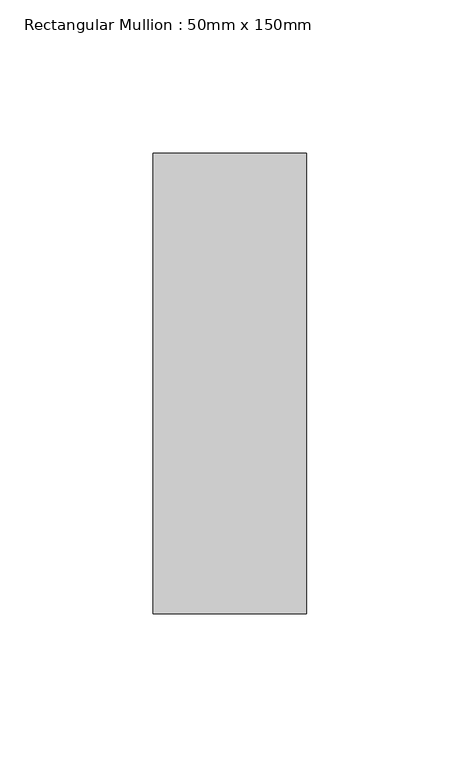
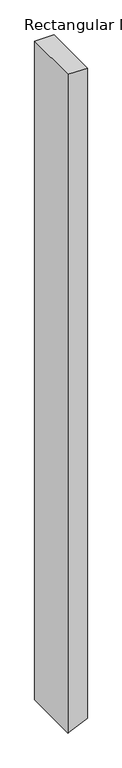
"""IFC4 building model written with IfcOpenShell, lengths in millimetres: member geometry, Rectangular Mullion : 50mm x 150mm."""

from ifc_helpers import new_model, si_unit, frame, origin, place, context, project, spatial, polyline, outline, extrude, source, transform, mapped, element, save


def rectangular_mullion_50mm_x_150mm_6f82ba0f(model_context):
    return source(origin(), model_context, "Body", "SweptSolid", [
        extrude(outline(polyline([(0.0, 25.0), (0.0, -25.0), (-1807.7541729, -25.0), (-1805.9176763, -21.0411824), (-1784.5591588, 25.0), (0.0, 25.0)])), frame((0.0, -75.0, 0.0), z_axis=(0.0, 1.0, 0.0), x_axis=(0.0, 0.0, 1.0)), (0.0, 0.0, 1.0), 150.0),
    ])


if __name__ == "__main__":
    model = new_model("IFC4")
    model_context = context("Model", 3, world=origin())
    ifc_project = project(units=[si_unit("LENGTHUNIT", "METRE", prefix="MILLI")], contexts=[model_context])
    site = spatial("IfcSite", under=ifc_project)
    building = spatial("IfcBuilding", under=site)
    placement = place(None, origin())
    rectangular_mullion_50mm_x_150mm_shape = rectangular_mullion_50mm_x_150mm_6f82ba0f(model_context)
    element("IfcMember", 1, ObjectType="Rectangular Mullion : 50mm x 150mm", at=placement, inside=building, context=model_context, shape_type="MappedRepresentation", body=[
        mapped(rectangular_mullion_50mm_x_150mm_shape, transform((0.0, 0.0, 0.0), x_axis=(1.0, 0.0, 0.0), y_axis=(0.0, 1.0, 0.0), z_axis=(0.0, 0.0, 1.0))),
    ])
    save(model, "model.ifc")
